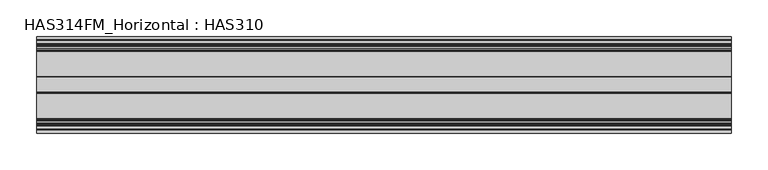
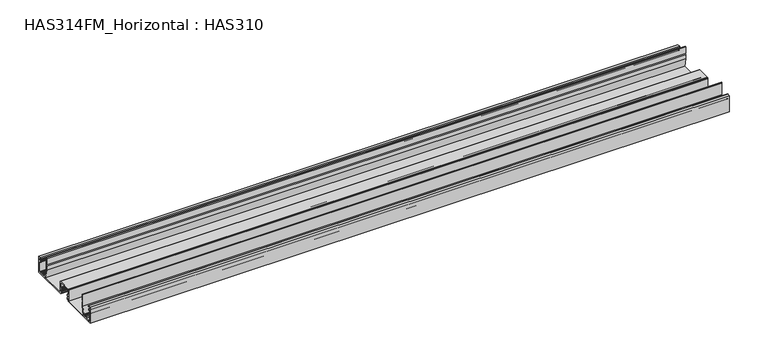
"""IFC4 building model written with IfcOpenShell, lengths in millimetres: beam geometry, HAS314FM_Horizontal : HAS310."""

import ifcopenshell
import ifcopenshell.guid

model = None  # the IFC model being written
_history = None  # IfcOwnerHistory: only IFC2X3 demands one
_inside = {}  # id of a spatial element -> (the spatial element, [elements in it])
_under = {}  # id of a project, library or spatial element -> (it, [spatial elements below it])
_declared = {}  # id of a project -> (the project, [libraries it declares])
_typed = {}  # id of a type object -> (the type object, [elements of that type])
_made_of = {}  # id of a material, layer set ... -> (it, [elements and type objects made of it])


def new_model(schema):
    """Start an empty IFC model of exactly this schema.

    Asked for "IFC4X3", IfcOpenShell would pick the latest addendum, in which some entities
    have other attributes; the version numbers below select the first issue.
    IFC2X3 requires an IfcOwnerHistory on every rooted entity: one is made here for all.
    """
    global model, _history
    if schema == "IFC4X3":
        model = ifcopenshell.file(schema_version=(4, 3, 0, 0))
    else:
        model = ifcopenshell.file(schema=schema)
    _inside.clear()
    _under.clear()
    _declared.clear()
    _typed.clear()
    _made_of.clear()
    _history = None
    if model.schema == "IFC2X3":
        org = make("IfcOrganization", Name="unknown")
        user = make(
            "IfcPersonAndOrganization",
            ThePerson=make("IfcPerson", FamilyName="unknown"),
            TheOrganization=org,
        )
        app = make(
            "IfcApplication",
            ApplicationDeveloper=org,
            Version="unknown",
            ApplicationFullName="unknown",
            ApplicationIdentifier="unknown",
        )
        _history = make(
            "IfcOwnerHistory",
            OwningUser=user,
            OwningApplication=app,
            ChangeAction="ADDED",
            CreationDate=0,
        )
    return model


def make(cls, **values):
    """One entity of the class cls with the attributes given. An attribute that is None is left unset."""
    return model.create_entity(
        cls, **{name: value for name, value in values.items() if value is not None}
    )


def rooted(cls, **values):
    """An entity with a GlobalId (a new one), such as an element, a storey or a relation."""
    return make(cls, GlobalId=ifcopenshell.guid.new(), OwnerHistory=_history, **values)


def si_unit(unit_type, name, prefix=None):
    """IfcSIUnit, for example si_unit("LENGTHUNIT", "METRE", prefix="MILLI")."""
    return make("IfcSIUnit", UnitType=unit_type, Prefix=prefix, Name=name)


def assignment(units):
    """IfcUnitAssignment: the units of a project."""
    return None if units is None else make("IfcUnitAssignment", Units=units)


def point(xyz):
    """IfcCartesianPoint."""
    return None if xyz is None else make("IfcCartesianPoint", Coordinates=xyz)


def direction(xyz):
    """IfcDirection."""
    return None if xyz is None else make("IfcDirection", DirectionRatios=xyz)


def frame(location, z_axis=None, x_axis=None):
    """IfcAxis2Placement3D, a coordinate frame: its origin and axes. An axis left out is left unset."""
    return make(
        "IfcAxis2Placement3D",
        Location=point(location),
        Axis=direction(z_axis),
        RefDirection=direction(x_axis),
    )


def frame_2d(location, x_axis=None):
    """IfcAxis2Placement2D, a coordinate frame in the plane: its origin and x axis."""
    return make(
        "IfcAxis2Placement2D", Location=point(location), RefDirection=direction(x_axis)
    )


def origin():
    """The frame at (0, 0, 0) with its axes left unset."""
    return frame((0.0, 0.0, 0.0))


def place(relative_to, where):
    """IfcLocalPlacement: puts the frame where relative to a parent placement (None: the world)."""
    return make(
        "IfcLocalPlacement", PlacementRelTo=relative_to, RelativePlacement=where
    )


def context(
    kind, dimensions, precision=None, world=None, true_north=None, identifier=None
):
    """IfcGeometricRepresentationContext, for example the 3D "Model" context."""
    return make(
        "IfcGeometricRepresentationContext",
        ContextIdentifier=identifier,
        ContextType=kind,
        CoordinateSpaceDimension=dimensions,
        Precision=precision,
        WorldCoordinateSystem=world,
        TrueNorth=true_north,
    )


def project(units=None, contexts=None):
    """IfcProject with its units and contexts."""
    return rooted(
        "IfcProject",
        Name="project",
        RepresentationContexts=contexts,
        UnitsInContext=assignment(units),
    )


def spatial(cls, under=None, at=None, **own):
    """A site, building, storey or space (cls), placed at a placement, below another one or the project."""
    s = rooted(cls, ObjectPlacement=at, **own)
    if under is not None:
        _under.setdefault(under.id(), (under, []))[1].append(s)
    return s


def polyline(points):
    """IfcPolyline through the points."""
    return make("IfcPolyline", Points=[point(p) for p in points])


def circle_curve(where, radius):
    """IfcCircle in the frame where."""
    return make("IfcCircle", Position=where, Radius=radius)


def trimmed(basis, trim1, trim2, sense, master):
    """IfcTrimmedCurve: the piece of a basis curve between two trims."""
    return make(
        "IfcTrimmedCurve",
        BasisCurve=basis,
        Trim1=trim1,
        Trim2=trim2,
        SenseAgreement=sense,
        MasterRepresentation=master,
    )


def segment(curve, same_sense, transition):
    """IfcCompositeCurveSegment."""
    return make(
        "IfcCompositeCurveSegment",
        Transition=transition,
        SameSense=same_sense,
        ParentCurve=curve,
    )


def composite_curve(segments, self_intersect=None):
    """IfcCompositeCurve: segments joined end to end."""
    return make("IfcCompositeCurve", Segments=segments, SelfIntersect=self_intersect)


def outline(outer, holes=None, kind="AREA"):
    """IfcArbitraryClosedProfileDef: a profile drawn as a closed curve; with holes, ...WithVoids."""
    if holes is None:
        return make("IfcArbitraryClosedProfileDef", ProfileType=kind, OuterCurve=outer)
    return make(
        "IfcArbitraryProfileDefWithVoids",
        ProfileType=kind,
        OuterCurve=outer,
        InnerCurves=holes,
    )


def extrude(swept, where, along, depth):
    """IfcExtrudedAreaSolid: the profile swept, set in the frame where, extruded along a direction by depth."""
    return make(
        "IfcExtrudedAreaSolid",
        SweptArea=swept,
        Position=where,
        ExtrudedDirection=direction(along),
        Depth=depth,
    )


def shape(context_of_items, identifier, shape_type, items):
    """IfcShapeRepresentation: the items that make up one representation, for example the "Body"."""
    return make(
        "IfcShapeRepresentation",
        ContextOfItems=context_of_items,
        RepresentationIdentifier=identifier,
        RepresentationType=shape_type,
        Items=items,
    )


def source(mapping_origin, context_of_items, identifier, shape_type, items):
    """IfcRepresentationMap: a shape defined once, which mapped items show again and again."""
    return make(
        "IfcRepresentationMap",
        MappingOrigin=mapping_origin,
        MappedRepresentation=shape(context_of_items, identifier, shape_type, items),
    )


def transform(
    local_origin,
    x_axis=None,
    y_axis=None,
    z_axis=None,
    scale=None,
    scale2=None,
    scale3=None,
    uniform=True,
):
    """IfcCartesianTransformationOperator3D, or its non-uniform kind. x_axis, y_axis, z_axis: its Axis1, 2, 3."""
    if uniform:
        return make(
            "IfcCartesianTransformationOperator3D",
            Axis1=direction(x_axis),
            Axis2=direction(y_axis),
            LocalOrigin=point(local_origin),
            Scale=scale,
            Axis3=direction(z_axis),
        )
    return make(
        "IfcCartesianTransformationOperator3DnonUniform",
        Axis1=direction(x_axis),
        Axis2=direction(y_axis),
        LocalOrigin=point(local_origin),
        Scale=scale,
        Axis3=direction(z_axis),
        Scale2=scale2,
        Scale3=scale3,
    )


def mapped(mapping_source, mapping_target):
    """IfcMappedItem: shows the shape of a source again, moved by a transform."""
    return make(
        "IfcMappedItem", MappingSource=mapping_source, MappingTarget=mapping_target
    )


def made_of(thing, what):
    """Note that an element or type object is made of a material, layer set ...; save() writes the relation."""
    if what is not None:
        _made_of.setdefault(what.id(), (what, []))[1].append(thing)
    return thing


def element(
    cls,
    number,
    at=None,
    inside=None,
    cuts=None,
    type_object=None,
    material=None,
    context=None,
    identifier="Body",
    shape_type=None,
    held_by="IfcProductDefinitionShape",
    body=None,
    shapes=None,
    **own,
):
    """One element of the class cls, such as IfcWall. Its Tag is "e" and its number.

    at: its placement. inside: the storey or other place that contains it. cuts: it is an
    opening in that element (IfcRelVoidsElement). A single representation is given by context,
    identifier, shape_type and body (its items); several are given by shapes. held_by: the class
    of the entity that holds the representations. save() writes the other relations.
    """
    e = rooted(cls, Tag="e%d" % number, ObjectPlacement=at, **own)
    if body is not None:
        shapes = [shape(context, identifier, shape_type, body)]
    if shapes is not None:
        e.Representation = make(held_by, Representations=shapes)
    if inside is not None:
        _inside.setdefault(inside.id(), (inside, []))[1].append(e)
    if cuts is not None:
        rooted(
            "IfcRelVoidsElement", RelatingBuildingElement=cuts, RelatedOpeningElement=e
        )
    if type_object is not None:
        _typed.setdefault(type_object.id(), (type_object, []))[1].append(e)
    return made_of(e, material)


def aggregate(whole, parts):
    """IfcRelAggregates: a whole, such as a stair, and the parts it consists of."""
    return rooted("IfcRelAggregates", RelatingObject=whole, RelatedObjects=parts)


def save(model, path):
    """Write the relations noted so far, then the file.

    IfcRelAggregates (storeys below a building ...), IfcRelContainedInSpatialStructure (elements
    in a storey), IfcRelDefinesByType, IfcRelAssociatesMaterial and IfcRelDeclares: one each for
    every whole, place, type object, material and project.
    """
    for whole, parts in _under.values():
        aggregate(whole, parts)
    for where, things in _inside.values():
        rooted(
            "IfcRelContainedInSpatialStructure",
            RelatedElements=things,
            RelatingStructure=where,
        )
    for kind, things in _typed.values():
        rooted("IfcRelDefinesByType", RelatedObjects=things, RelatingType=kind)
    for what, things in _made_of.values():
        rooted("IfcRelAssociatesMaterial", RelatedObjects=things, RelatingMaterial=what)
    for by, libraries in _declared.values():
        rooted("IfcRelDeclares", RelatingContext=by, RelatedDefinitions=libraries)
    model.write(path)


def has314fm_horizontal_has310_129e4a09(model_context):
    return source(origin(), model_context, "Body", "SweptSolid", [
        extrude(outline(composite_curve([segment(polyline([(9.9742765, 9.1254019), (8.488746, 9.1254019), (8.488746, 8.3254019)]), True, "CONTINUOUS"), segment(trimmed(circle_curve(frame_2d((8.0643087, 8.3254019)), 0.4244373), [point((8.488746, 8.3254019))], [point((7.6398714, 8.3254019))], False, "CARTESIAN"), True, "CONTINUOUS"), segment(polyline([(7.6398714, 8.3254019), (7.6398714, 9.8576792)]), True, "CONTINUOUS"), segment(trimmed(circle_curve(frame_2d((8.180906, 9.8576792)), 0.5410346), [point((7.6398714, 9.8576792))], [point((8.180906, 10.3987138))], False, "CARTESIAN"), True, "CONTINUOUS"), segment(polyline([(8.180906, 10.3987138), (9.7620579, 10.3987138), (9.7620579, 18.0385852), (-9.7620579, 18.0385852), (-9.7620579, 10.3987138), (-8.0276527, 10.3987138)]), True, "CONTINUOUS"), segment(trimmed(circle_curve(frame_2d((-8.0276527, 9.7987138)), 0.6), [point((-8.0276527, 10.3987138))], [point((-7.4276527, 9.7987138))], False, "CARTESIAN"), True, "CONTINUOUS"), segment(polyline([(-7.4276527, 9.7987138), (-7.4276527, 8.3254019)]), True, "CONTINUOUS"), segment(trimmed(circle_curve(frame_2d((-7.9581994, 8.3254019)), 0.5305466), [point((-7.4276527, 8.3254019))], [point((-8.488746, 8.3254019))], False, "CARTESIAN"), True, "CONTINUOUS"), segment(polyline([(-8.488746, 8.3254019), (-8.488746, 9.1254019), (-9.9742765, 9.1254019), (-9.9742765, 3.8199357), (-8.488746, 3.8199357), (-8.488746, 4.6199357)]), True, "CONTINUOUS"), segment(trimmed(circle_curve(frame_2d((-7.9581994, 4.6199357)), 0.5305466), [point((-8.488746, 4.6199357))], [point((-7.4276527, 4.6199357))], False, "CARTESIAN"), True, "CONTINUOUS"), segment(polyline([(-7.4276527, 4.6199357), (-7.4276527, 3.1289278)]), True, "CONTINUOUS"), segment(trimmed(circle_curve(frame_2d((-8.2221754, 3.1289278)), 0.7945227), [point((-7.4276527, 3.1289278))], [point((-8.2221754, 2.3344051))], False, "CARTESIAN"), True, "CONTINUOUS"), segment(polyline([(-8.2221754, 2.3344051), (-9.7620579, 2.3344051), (-9.7620579, 0.0), (-66.0, 0.0), (-66.0, 25.0418006), (-61.755627, 25.0418006), (-60.9067524, 24.4051447), (-61.755627, 23.7684887), (-64.7266881, 23.7684887), (-64.7266881, 20.3729904), (-62.7447485, 20.3729904)]), True, "CONTINUOUS"), segment(trimmed(circle_curve(frame_2d((-62.7447485, 19.8083061)), 0.5646842), [point((-62.7447485, 20.3729904))], [point((-62.1800643, 19.8083061))], False, "CARTESIAN"), True, "CONTINUOUS"), segment(polyline([(-62.1800643, 19.8083061), (-62.1800643, 18.4630225)]), True, "CONTINUOUS"), segment(trimmed(circle_curve(frame_2d((-62.6045016, 18.4630225)), 0.4244373), [point((-62.1800643, 18.4630225))], [point((-63.0289389, 18.4630225))], False, "CARTESIAN"), True, "CONTINUOUS"), segment(polyline([(-63.0289389, 18.4630225), (-63.0289389, 19.5241158), (-64.7266881, 19.5241158), (-64.7266881, 1.4855305), (-63.0289389, 1.4855305), (-63.0289389, 2.3344051), (-62.1800643, 2.3344051), (-62.1800643, 1.4855305), (-56.0257235, 1.4855305), (-56.0257235, 4.0321543), (-55.3890675, 5.3054662), (-54.5401929, 5.5176849)]), True, "CONTINUOUS"), segment(trimmed(circle_curve(frame_2d((-54.4003215, 4.9581994)), 0.5767045), [point((-54.5401929, 5.5176849))], [point((-54.1157556, 4.4565916))], False, "CARTESIAN"), True, "CONTINUOUS"), segment(polyline([(-54.1157556, 4.4565916), (-54.5401929, 2.7588424), (-52.9485531, 1.4324759), (-51.3569132, 2.7588424), (-51.7813505, 4.4565916), (-49.7918006, 4.4565916), (-47.5369775, 15.2797428), (-47.5369775, 33.5305466), (-46.9003215, 34.1672026), (-46.0514469, 33.5305466), (-46.0514469, 23.5562701), (-46.9003215, 23.5562701), (-46.0514469, 21.6463023), (-46.0514469, 15.0675241), (-48.8992843, 1.4855305), (-11.2475884, 1.4855305), (-11.2475884, 18.4630225), (-10.8231511, 19.3118971), (-9.9742765, 19.5241158), (10.1864952, 19.5241158), (11.0353698, 19.3118971), (11.2475884, 18.4630225), (11.2475884, 1.4855305), (48.8992843, 1.4855305), (46.0514469, 15.0675241), (46.0514469, 21.6463023), (46.9003215, 23.5562701), (46.0514469, 23.5562701), (46.0514469, 33.5305466), (46.9003215, 34.1672026), (47.5369775, 33.5305466), (47.5369775, 15.2797428), (49.7918006, 4.4565916), (51.7813505, 4.4565916), (51.3569132, 2.7588424), (52.9485531, 1.4324759), (54.5401929, 2.7588424), (54.1157556, 4.4565916)]), True, "CONTINUOUS"), segment(trimmed(circle_curve(frame_2d((54.4003215, 4.9581994)), 0.5767045), [point((54.1157556, 4.4565916))], [point((54.5401929, 5.5176849))], False, "CARTESIAN"), True, "CONTINUOUS"), segment(polyline([(54.5401929, 5.5176849), (55.3890675, 5.3054662), (56.0257235, 4.0321543), (56.0257235, 1.4855305), (62.1800643, 1.4855305), (62.1800643, 2.3344051), (63.0289389, 2.3344051), (63.0289389, 1.4855305), (64.7266881, 1.4855305), (64.7266881, 19.5241158), (63.0289389, 19.5241158), (63.0289389, 18.4630225)]), True, "CONTINUOUS"), segment(trimmed(circle_curve(frame_2d((62.6045016, 18.4630225)), 0.4244373), [point((63.0289389, 18.4630225))], [point((62.1800643, 18.4630225))], False, "CARTESIAN"), True, "CONTINUOUS"), segment(polyline([(62.1800643, 18.4630225), (62.1800643, 19.8083061)]), True, "CONTINUOUS"), segment(trimmed(circle_curve(frame_2d((62.7447485, 19.8083061)), 0.5646842), [point((62.1800643, 19.8083061))], [point((62.7447485, 20.3729904))], False, "CARTESIAN"), True, "CONTINUOUS"), segment(polyline([(62.7447485, 20.3729904), (64.7266881, 20.3729904), (64.7266881, 23.7684887), (61.755627, 23.7684887), (60.9067524, 24.4051447), (61.755627, 25.0418006), (66.0, 25.0418006), (66.0, 0.0), (9.7620579, 0.0), (9.7620579, 2.3344051), (8.2745239, 2.3344051)]), True, "CONTINUOUS"), segment(trimmed(circle_curve(frame_2d((8.2745239, 2.9690576)), 0.6346525), [point((8.2745239, 2.3344051))], [point((7.6398714, 2.9690576))], False, "CARTESIAN"), True, "CONTINUOUS"), segment(polyline([(7.6398714, 2.9690576), (7.6398714, 4.6199357)]), True, "CONTINUOUS"), segment(trimmed(circle_curve(frame_2d((8.0643087, 4.6199357)), 0.4244373), [point((7.6398714, 4.6199357))], [point((8.488746, 4.6199357))], False, "CARTESIAN"), True, "CONTINUOUS"), segment(polyline([(8.488746, 4.6199357), (8.488746, 3.8199357), (9.9742765, 3.8199357), (9.9742765, 9.1254019)]), True, "CONTINUOUS")], self_intersect=False)), frame((-474.9040671, 0.0, 0.0), z_axis=(1.0, 0.0, 0.0), x_axis=(0.0, 1.0, 0.0)), (0.0, 0.0, 1.0), 949.8081342),
    ])


if __name__ == "__main__":
    model = new_model("IFC4")
    model_context = context("Model", 3, world=origin())
    ifc_project = project(units=[si_unit("LENGTHUNIT", "METRE", prefix="MILLI")], contexts=[model_context])
    site = spatial("IfcSite", under=ifc_project)
    building = spatial("IfcBuilding", under=site)
    placement = place(None, origin())
    has314fm_horizontal_has310_shape = has314fm_horizontal_has310_129e4a09(model_context)
    element("IfcBeam", 1, ObjectType="HAS314FM_Horizontal : HAS310", at=placement, inside=building, context=model_context, shape_type="MappedRepresentation", body=[
        mapped(has314fm_horizontal_has310_shape, transform((0.0, 0.0, 0.0), x_axis=(1.0, 0.0, 0.0), y_axis=(0.0, 1.0, 0.0), z_axis=(0.0, 0.0, 1.0))),
    ])
    save(model, "model.ifc")
